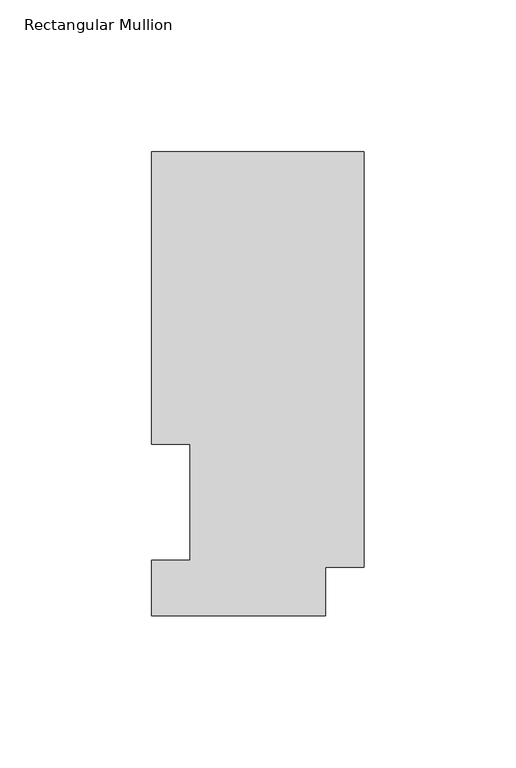
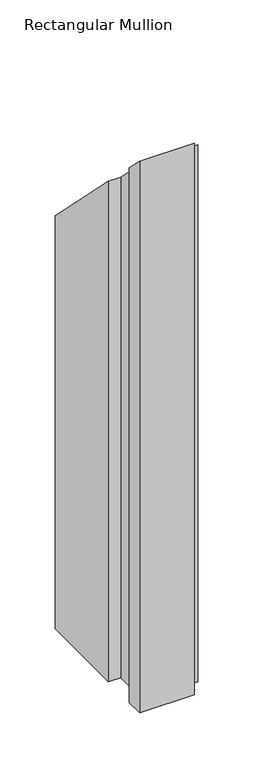
"""IFC4 building model written with IfcOpenShell, lengths in millimetres: member geometry, Rectangular Mullion."""

from ifc_helpers import new_model, si_unit, origin, place, context, project, spatial, faceted_brep, source, transform, mapped, element, save


def rectangular_mullion_8e86260c(model_context):
    return source(origin(), model_context, "Body", "Brep", [
        faceted_brep([(-69.9516, 152.6475062, -609.6), (0.0, 152.6475062, -609.6), (0.0, 15.86865, -609.6), (-12.8016, 15.86865, -609.6), (-12.8016, -0.03175, -609.6), (-69.9516, -0.03175, -609.6), (-69.9516, 18.25625, -609.6), (-57.2516, 18.25625, -609.6), (-57.2516, 56.35625, -609.6), (-69.9516, 56.35625, -609.6), (-69.9516, 56.35625, -56.35625), (-69.9516, 152.6475062, -152.6475062), (-57.2516, 56.35625, -56.35625), (-57.2516, 18.25625, -18.25625), (-69.9516, 18.25625, -18.25625), (-69.9516, -0.03175, 0.03175), (-12.8016, -0.03175, 0.03175), (-12.8016, 15.86865, -15.86865), (0.0, 15.86865, -15.86865), (0.0, 152.6475062, -152.6475062)], [[[0, 1, 2, 3, 4, 5, 6, 7, 8, 9]], [[10, 11, 0, 9]], [[12, 10, 9, 8]], [[13, 12, 8, 7]], [[14, 13, 7, 6]], [[15, 14, 6, 5]], [[16, 15, 5, 4]], [[17, 16, 4, 3]], [[18, 17, 3, 2]], [[19, 18, 2, 1]], [[11, 19, 1, 0]], [[11, 10, 12, 13, 14, 15, 16, 17, 18, 19]]]),
    ])


if __name__ == "__main__":
    model = new_model("IFC4")
    model_context = context("Model", 3, world=origin())
    ifc_project = project(units=[si_unit("LENGTHUNIT", "METRE", prefix="MILLI")], contexts=[model_context])
    site = spatial("IfcSite", under=ifc_project)
    building = spatial("IfcBuilding", under=site)
    placement = place(None, origin())
    rectangular_mullion_shape = rectangular_mullion_8e86260c(model_context)
    element("IfcMember", 1, ObjectType="Rectangular Mullion", at=placement, inside=building, context=model_context, shape_type="MappedRepresentation", body=[
        mapped(rectangular_mullion_shape, transform((0.0, 0.0, 0.0), x_axis=(1.0, 0.0, 0.0), y_axis=(0.0, 1.0, 0.0), z_axis=(0.0, 0.0, 1.0))),
    ])
    save(model, "model.ifc")
